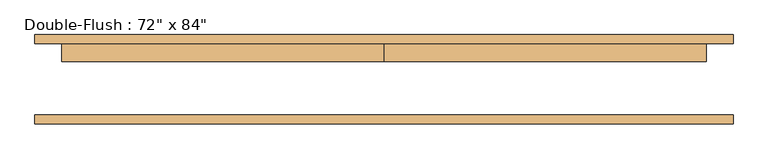
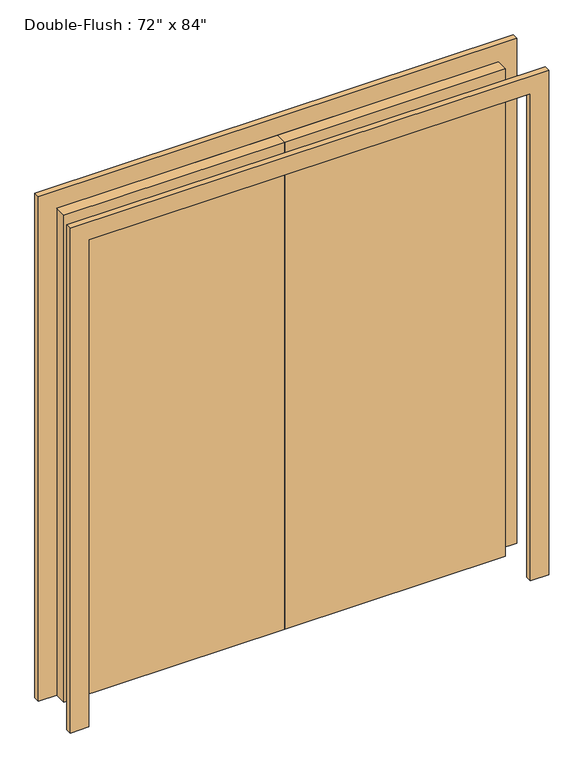
"""IFC4 building model written with IfcOpenShell, lengths in millimetres: door geometry."""

import ifcopenshell
import ifcopenshell.guid

model = None  # the IFC model being written
_history = None  # IfcOwnerHistory: only IFC2X3 demands one
_inside = {}  # id of a spatial element -> (the spatial element, [elements in it])
_under = {}  # id of a project, library or spatial element -> (it, [spatial elements below it])
_declared = {}  # id of a project -> (the project, [libraries it declares])
_typed = {}  # id of a type object -> (the type object, [elements of that type])
_made_of = {}  # id of a material, layer set ... -> (it, [elements and type objects made of it])


def new_model(schema):
    """Start an empty IFC model of exactly this schema.

    Asked for "IFC4X3", IfcOpenShell would pick the latest addendum, in which some entities
    have other attributes; the version numbers below select the first issue.
    IFC2X3 requires an IfcOwnerHistory on every rooted entity: one is made here for all.
    """
    global model, _history
    if schema == "IFC4X3":
        model = ifcopenshell.file(schema_version=(4, 3, 0, 0))
    else:
        model = ifcopenshell.file(schema=schema)
    _inside.clear()
    _under.clear()
    _declared.clear()
    _typed.clear()
    _made_of.clear()
    _history = None
    if model.schema == "IFC2X3":
        org = make("IfcOrganization", Name="unknown")
        user = make(
            "IfcPersonAndOrganization",
            ThePerson=make("IfcPerson", FamilyName="unknown"),
            TheOrganization=org,
        )
        app = make(
            "IfcApplication",
            ApplicationDeveloper=org,
            Version="unknown",
            ApplicationFullName="unknown",
            ApplicationIdentifier="unknown",
        )
        _history = make(
            "IfcOwnerHistory",
            OwningUser=user,
            OwningApplication=app,
            ChangeAction="ADDED",
            CreationDate=0,
        )
    return model


def make(cls, **values):
    """One entity of the class cls with the attributes given. An attribute that is None is left unset."""
    return model.create_entity(
        cls, **{name: value for name, value in values.items() if value is not None}
    )


def rooted(cls, **values):
    """An entity with a GlobalId (a new one), such as an element, a storey or a relation."""
    return make(cls, GlobalId=ifcopenshell.guid.new(), OwnerHistory=_history, **values)


def si_unit(unit_type, name, prefix=None):
    """IfcSIUnit, for example si_unit("LENGTHUNIT", "METRE", prefix="MILLI")."""
    return make("IfcSIUnit", UnitType=unit_type, Prefix=prefix, Name=name)


def assignment(units):
    """IfcUnitAssignment: the units of a project."""
    return None if units is None else make("IfcUnitAssignment", Units=units)


def point(xyz):
    """IfcCartesianPoint."""
    return None if xyz is None else make("IfcCartesianPoint", Coordinates=xyz)


def direction(xyz):
    """IfcDirection."""
    return None if xyz is None else make("IfcDirection", DirectionRatios=xyz)


def frame(location, z_axis=None, x_axis=None):
    """IfcAxis2Placement3D, a coordinate frame: its origin and axes. An axis left out is left unset."""
    return make(
        "IfcAxis2Placement3D",
        Location=point(location),
        Axis=direction(z_axis),
        RefDirection=direction(x_axis),
    )


def origin():
    """The frame at (0, 0, 0) with its axes left unset."""
    return frame((0.0, 0.0, 0.0))


def origin_with_axes():
    """The frame at (0, 0, 0) with the z axis (0, 0, 1) and the x axis (1, 0, 0) written out."""
    return frame((0.0, 0.0, 0.0), z_axis=(0.0, 0.0, 1.0), x_axis=(1.0, 0.0, 0.0))


def place(relative_to, where):
    """IfcLocalPlacement: puts the frame where relative to a parent placement (None: the world)."""
    return make(
        "IfcLocalPlacement", PlacementRelTo=relative_to, RelativePlacement=where
    )


def context(
    kind, dimensions, precision=None, world=None, true_north=None, identifier=None
):
    """IfcGeometricRepresentationContext, for example the 3D "Model" context."""
    return make(
        "IfcGeometricRepresentationContext",
        ContextIdentifier=identifier,
        ContextType=kind,
        CoordinateSpaceDimension=dimensions,
        Precision=precision,
        WorldCoordinateSystem=world,
        TrueNorth=true_north,
    )


def project(units=None, contexts=None):
    """IfcProject with its units and contexts."""
    return rooted(
        "IfcProject",
        Name="project",
        RepresentationContexts=contexts,
        UnitsInContext=assignment(units),
    )


def spatial(cls, under=None, at=None, **own):
    """A site, building, storey or space (cls), placed at a placement, below another one or the project."""
    s = rooted(cls, ObjectPlacement=at, **own)
    if under is not None:
        _under.setdefault(under.id(), (under, []))[1].append(s)
    return s


def polyline(points):
    """IfcPolyline through the points."""
    return make("IfcPolyline", Points=[point(p) for p in points])


def outline(outer, holes=None, kind="AREA"):
    """IfcArbitraryClosedProfileDef: a profile drawn as a closed curve; with holes, ...WithVoids."""
    if holes is None:
        return make("IfcArbitraryClosedProfileDef", ProfileType=kind, OuterCurve=outer)
    return make(
        "IfcArbitraryProfileDefWithVoids",
        ProfileType=kind,
        OuterCurve=outer,
        InnerCurves=holes,
    )


def extrude(swept, where, along, depth):
    """IfcExtrudedAreaSolid: the profile swept, set in the frame where, extruded along a direction by depth."""
    return make(
        "IfcExtrudedAreaSolid",
        SweptArea=swept,
        Position=where,
        ExtrudedDirection=direction(along),
        Depth=depth,
    )


def shape(context_of_items, identifier, shape_type, items):
    """IfcShapeRepresentation: the items that make up one representation, for example the "Body"."""
    return make(
        "IfcShapeRepresentation",
        ContextOfItems=context_of_items,
        RepresentationIdentifier=identifier,
        RepresentationType=shape_type,
        Items=items,
    )


def source(mapping_origin, context_of_items, identifier, shape_type, items):
    """IfcRepresentationMap: a shape defined once, which mapped items show again and again."""
    return make(
        "IfcRepresentationMap",
        MappingOrigin=mapping_origin,
        MappedRepresentation=shape(context_of_items, identifier, shape_type, items),
    )


def transform(
    local_origin,
    x_axis=None,
    y_axis=None,
    z_axis=None,
    scale=None,
    scale2=None,
    scale3=None,
    uniform=True,
):
    """IfcCartesianTransformationOperator3D, or its non-uniform kind. x_axis, y_axis, z_axis: its Axis1, 2, 3."""
    if uniform:
        return make(
            "IfcCartesianTransformationOperator3D",
            Axis1=direction(x_axis),
            Axis2=direction(y_axis),
            LocalOrigin=point(local_origin),
            Scale=scale,
            Axis3=direction(z_axis),
        )
    return make(
        "IfcCartesianTransformationOperator3DnonUniform",
        Axis1=direction(x_axis),
        Axis2=direction(y_axis),
        LocalOrigin=point(local_origin),
        Scale=scale,
        Axis3=direction(z_axis),
        Scale2=scale2,
        Scale3=scale3,
    )


def mapped(mapping_source, mapping_target):
    """IfcMappedItem: shows the shape of a source again, moved by a transform."""
    return make(
        "IfcMappedItem", MappingSource=mapping_source, MappingTarget=mapping_target
    )


def made_of(thing, what):
    """Note that an element or type object is made of a material, layer set ...; save() writes the relation."""
    if what is not None:
        _made_of.setdefault(what.id(), (what, []))[1].append(thing)
    return thing


def element(
    cls,
    number,
    at=None,
    inside=None,
    cuts=None,
    type_object=None,
    material=None,
    context=None,
    identifier="Body",
    shape_type=None,
    held_by="IfcProductDefinitionShape",
    body=None,
    shapes=None,
    **own,
):
    """One element of the class cls, such as IfcWall. Its Tag is "e" and its number.

    at: its placement. inside: the storey or other place that contains it. cuts: it is an
    opening in that element (IfcRelVoidsElement). A single representation is given by context,
    identifier, shape_type and body (its items); several are given by shapes. held_by: the class
    of the entity that holds the representations. save() writes the other relations.
    """
    e = rooted(cls, Tag="e%d" % number, ObjectPlacement=at, **own)
    if body is not None:
        shapes = [shape(context, identifier, shape_type, body)]
    if shapes is not None:
        e.Representation = make(held_by, Representations=shapes)
    if inside is not None:
        _inside.setdefault(inside.id(), (inside, []))[1].append(e)
    if cuts is not None:
        rooted(
            "IfcRelVoidsElement", RelatingBuildingElement=cuts, RelatedOpeningElement=e
        )
    if type_object is not None:
        _typed.setdefault(type_object.id(), (type_object, []))[1].append(e)
    return made_of(e, material)


def aggregate(whole, parts):
    """IfcRelAggregates: a whole, such as a stair, and the parts it consists of."""
    return rooted("IfcRelAggregates", RelatingObject=whole, RelatedObjects=parts)


def save(model, path):
    """Write the relations noted so far, then the file.

    IfcRelAggregates (storeys below a building ...), IfcRelContainedInSpatialStructure (elements
    in a storey), IfcRelDefinesByType, IfcRelAssociatesMaterial and IfcRelDeclares: one each for
    every whole, place, type object, material and project.
    """
    for whole, parts in _under.values():
        aggregate(whole, parts)
    for where, things in _inside.values():
        rooted(
            "IfcRelContainedInSpatialStructure",
            RelatedElements=things,
            RelatingStructure=where,
        )
    for kind, things in _typed.values():
        rooted("IfcRelDefinesByType", RelatedObjects=things, RelatingType=kind)
    for what, things in _made_of.values():
        rooted("IfcRelAssociatesMaterial", RelatedObjects=things, RelatingMaterial=what)
    for by, libraries in _declared.values():
        rooted("IfcRelDeclares", RelatingContext=by, RelatedDefinitions=libraries)
    model.write(path)


def door_35d59325(model_context):
    return source(origin(), model_context, "Body", "SweptSolid", [
        extrude(outline(polyline([(0.0, 101.6), (914.4, 101.6), (914.4, 50.8), (0.0, 50.8), (0.0, 101.6)])), origin_with_axes(), (0.0, 0.0, 1.0), 2133.6),
        extrude(outline(polyline([(-914.4, 101.6), (0.0, 101.6), (0.0, 50.8), (-914.4, 50.8), (-914.4, 101.6)])), origin_with_axes(), (0.0, 0.0, 1.0), 2133.6),
        extrude(outline(polyline([(2133.6, -914.4), (2133.6, 914.4), (0.0, 914.4), (0.0, 990.6), (2209.8, 990.6), (2209.8, -990.6), (0.0, -990.6), (0.0, -914.4), (2133.6, -914.4)])), frame((0.0, -127.0, 0.0), z_axis=(0.0, 1.0, 0.0), x_axis=(0.0, 0.0, 1.0)), (0.0, 0.0, 1.0), 25.4),
        extrude(outline(polyline([(2133.6, -914.4), (2133.6, 914.4), (0.0, 914.4), (0.0, 990.6), (2209.8, 990.6), (2209.8, -990.6), (0.0, -990.6), (0.0, -914.4), (2133.6, -914.4)])), frame((0.0, 101.6, 0.0), z_axis=(0.0, 1.0, 0.0), x_axis=(0.0, 0.0, 1.0)), (0.0, 0.0, 1.0), 25.4),
    ])


if __name__ == "__main__":
    model = new_model("IFC4")
    model_context = context("Model", 3, world=origin())
    ifc_project = project(units=[si_unit("LENGTHUNIT", "METRE", prefix="MILLI")], contexts=[model_context])
    site = spatial("IfcSite", under=ifc_project)
    building = spatial("IfcBuilding", under=site)
    placement = place(None, origin())
    door_shape = door_35d59325(model_context)
    element("IfcDoor", 1, ObjectType="Double-Flush : 72\" x 84\"", at=placement, inside=building, context=model_context, shape_type="MappedRepresentation", body=[
        mapped(door_shape, transform((0.0, 0.0, 0.0), x_axis=(1.0, 0.0, 0.0), y_axis=(0.0, 1.0, 0.0), z_axis=(0.0, 0.0, 1.0))),
    ])
    save(model, "model.ifc")
